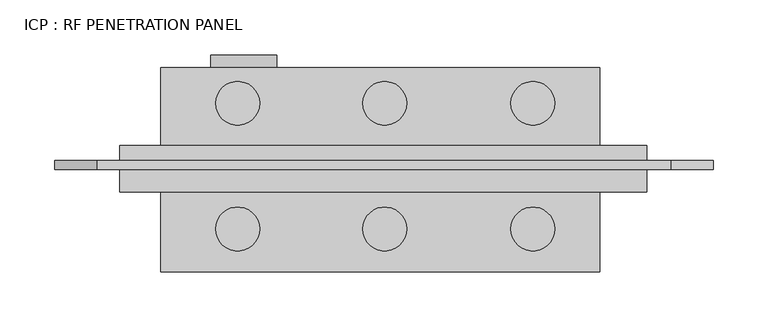
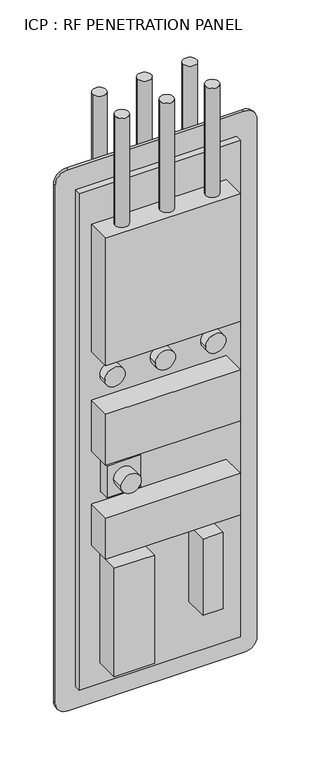
"""IFC4 building model written with IfcOpenShell, lengths in millimetres: proxy geometry, ICP : RF PENETRATION PANEL."""

from ifc_helpers import new_model, si_unit, point, frame, frame_2d, origin, place, context, project, spatial, polyline, circle_curve, trimmed, segment, composite_curve, outline, extrude, source, transform, mapped, element, save


def icp_rf_penetration_panel_e984baec(model_context):
    return source(origin(), model_context, "Body", "SweptSolid", [
        extrude(outline(composite_curve([segment(polyline([(1700.0, -142.0922989), (1700.0, -665.8922989)]), True, "CONTINUOUS"), segment(trimmed(circle_curve(frame_2d((1661.9, -665.8922989)), 38.1), [point((1700.0, -665.8922989))], [point((1661.9, -703.9922989))], False, "CARTESIAN"), True, "CONTINUOUS"), segment(polyline([(1661.9, -703.9922989), (38.1, -703.9922989)]), True, "CONTINUOUS"), segment(trimmed(circle_curve(frame_2d((38.1, -665.8922989)), 38.1), [point((38.1, -703.9922989))], [point((0.0, -665.8922989))], False, "CARTESIAN"), True, "CONTINUOUS"), segment(polyline([(0.0, -665.8922989), (0.0, -142.0922989)]), True, "CONTINUOUS"), segment(trimmed(circle_curve(frame_2d((38.1, -142.0922989)), 38.1), [point((0.0, -142.0922989))], [point((38.1, -103.9922989))], False, "CARTESIAN"), True, "CONTINUOUS"), segment(polyline([(38.1, -103.9922989), (1661.9, -103.9922989)]), True, "CONTINUOUS"), segment(trimmed(circle_curve(frame_2d((1661.9, -142.0922989)), 38.1), [point((1661.9, -103.9922989))], [point((1700.0, -142.0922989))], False, "CARTESIAN"), True, "CONTINUOUS")], self_intersect=False)), frame((0.0, -3.2306859, 0.0), z_axis=(0.0, 1.0, 0.0), x_axis=(0.0, 0.0, 1.0)), (0.0, 0.0, 1.0), 8.2306859),
        extrude(outline(composite_curve([segment(trimmed(circle_curve(frame_2d((1038.3942111, -403.3672989)), 30.0), [point((1038.3942111, -373.3672989))], [point((1038.3942111, -433.3672989))], False, "CARTESIAN"), True, "CONTINUOUS"), segment(trimmed(circle_curve(frame_2d((1038.3942111, -403.3672989)), 30.0), [point((1038.3942111, -433.3672989))], [point((1038.3942111, -373.3672989))], False, "CARTESIAN"), True, "CONTINUOUS")], self_intersect=False)), frame((0.0, -50.4300954, 0.0), z_axis=(0.0, 1.0, 0.0), x_axis=(0.0, 0.0, 1.0)), (0.0, 0.0, 1.0), 90.0844462),
        extrude(outline(composite_curve([segment(trimmed(circle_curve(frame_2d((1038.3942111, -553.3672989)), 30.0), [point((1038.3942111, -523.3672989))], [point((1038.3942111, -583.3672989))], False, "CARTESIAN"), True, "CONTINUOUS"), segment(trimmed(circle_curve(frame_2d((1038.3942111, -553.3672989)), 30.0), [point((1038.3942111, -583.3672989))], [point((1038.3942111, -523.3672989))], False, "CARTESIAN"), True, "CONTINUOUS")], self_intersect=False)), frame((0.0, -50.4300954, 0.0), z_axis=(0.0, 1.0, 0.0), x_axis=(0.0, 0.0, 1.0)), (0.0, 0.0, 1.0), 90.0844462),
        extrude(outline(composite_curve([segment(trimmed(circle_curve(frame_2d((1038.3942111, -253.3672989)), 30.0), [point((1038.3942111, -223.3672989))], [point((1038.3942111, -283.3672989))], False, "CARTESIAN"), True, "CONTINUOUS"), segment(trimmed(circle_curve(frame_2d((1038.3942111, -253.3672989)), 30.0), [point((1038.3942111, -283.3672989))], [point((1038.3942111, -223.3672989))], False, "CARTESIAN"), True, "CONTINUOUS")], self_intersect=False)), frame((0.0, -50.4300954, 0.0), z_axis=(0.0, 1.0, 0.0), x_axis=(0.0, 0.0, 1.0)), (0.0, 0.0, 1.0), 90.0844462),
        extrude(outline(composite_curve([segment(trimmed(circle_curve(frame_2d((-537.401459, 57.3809284)), 20.0), [point((-557.401459, 57.3809284))], [point((-517.401459, 57.3809284))], False, "CARTESIAN"), True, "CONTINUOUS"), segment(trimmed(circle_curve(frame_2d((-537.401459, 57.3809284)), 20.0), [point((-517.401459, 57.3809284))], [point((-557.401459, 57.3809284))], False, "CARTESIAN"), True, "CONTINUOUS")], self_intersect=False)), frame((0.0, 0.0, 1519.6250936), z_axis=(0.0, 0.0, 1.0), x_axis=(1.0, 0.0, 0.0)), (0.0, 0.0, 1.0), 342.7068946),
        extrude(outline(composite_curve([segment(trimmed(circle_curve(frame_2d((-403.3672989, 57.3809284)), 20.0), [point((-423.3672989, 57.3809284))], [point((-383.3672989, 57.3809284))], False, "CARTESIAN"), True, "CONTINUOUS"), segment(trimmed(circle_curve(frame_2d((-403.3672989, 57.3809284)), 20.0), [point((-383.3672989, 57.3809284))], [point((-423.3672989, 57.3809284))], False, "CARTESIAN"), True, "CONTINUOUS")], self_intersect=False)), frame((0.0, 0.0, 1519.6250936), z_axis=(0.0, 0.0, 1.0), x_axis=(1.0, 0.0, 0.0)), (0.0, 0.0, 1.0), 342.7068946),
        extrude(outline(composite_curve([segment(trimmed(circle_curve(frame_2d((-268.3672989, 57.3809284)), 20.0), [point((-288.3672989, 57.3809284))], [point((-248.3672989, 57.3809284))], False, "CARTESIAN"), True, "CONTINUOUS"), segment(trimmed(circle_curve(frame_2d((-268.3672989, 57.3809284)), 20.0), [point((-248.3672989, 57.3809284))], [point((-288.3672989, 57.3809284))], False, "CARTESIAN"), True, "CONTINUOUS")], self_intersect=False)), frame((0.0, 0.0, 1519.6250936), z_axis=(0.0, 0.0, 1.0), x_axis=(1.0, 0.0, 0.0)), (0.0, 0.0, 1.0), 342.7068946),
        extrude(outline(composite_curve([segment(trimmed(circle_curve(frame_2d((-537.401459, -57.3809284)), 20.0), [point((-557.401459, -57.3809284))], [point((-517.401459, -57.3809284))], False, "CARTESIAN"), True, "CONTINUOUS"), segment(trimmed(circle_curve(frame_2d((-537.401459, -57.3809284)), 20.0), [point((-517.401459, -57.3809284))], [point((-557.401459, -57.3809284))], False, "CARTESIAN"), True, "CONTINUOUS")], self_intersect=False)), frame((0.0, 0.0, 1519.6250936), z_axis=(0.0, 0.0, 1.0), x_axis=(1.0, 0.0, 0.0)), (0.0, 0.0, 1.0), 342.7068946),
        extrude(outline(composite_curve([segment(trimmed(circle_curve(frame_2d((-403.3672989, -57.3809284)), 20.0), [point((-423.3672989, -57.3809284))], [point((-383.3672989, -57.3809284))], False, "CARTESIAN"), True, "CONTINUOUS"), segment(trimmed(circle_curve(frame_2d((-403.3672989, -57.3809284)), 20.0), [point((-383.3672989, -57.3809284))], [point((-423.3672989, -57.3809284))], False, "CARTESIAN"), True, "CONTINUOUS")], self_intersect=False)), frame((0.0, 0.0, 1519.6250936), z_axis=(0.0, 0.0, 1.0), x_axis=(1.0, 0.0, 0.0)), (0.0, 0.0, 1.0), 342.7068946),
        extrude(outline(composite_curve([segment(trimmed(circle_curve(frame_2d((-268.3672989, -57.3809284)), 20.0), [point((-288.3672989, -57.3809284))], [point((-248.3672989, -57.3809284))], False, "CARTESIAN"), True, "CONTINUOUS"), segment(trimmed(circle_curve(frame_2d((-268.3672989, -57.3809284)), 20.0), [point((-248.3672989, -57.3809284))], [point((-288.3672989, -57.3809284))], False, "CARTESIAN"), True, "CONTINUOUS")], self_intersect=False)), frame((0.0, 0.0, 1519.6250936), z_axis=(0.0, 0.0, 1.0), x_axis=(1.0, 0.0, 0.0)), (0.0, 0.0, 1.0), 342.7068946),
        extrude(outline(composite_curve([segment(trimmed(circle_curve(frame_2d((723.3868975, -531.8589459)), 30.0), [point((723.3868975, -501.8589459))], [point((723.3868975, -561.8589459))], False, "CARTESIAN"), True, "CONTINUOUS"), segment(trimmed(circle_curve(frame_2d((723.3868975, -531.8589459)), 30.0), [point((723.3868975, -561.8589459))], [point((723.3868975, -501.8589459))], False, "CARTESIAN"), True, "CONTINUOUS")], self_intersect=False)), frame((0.0, -96.2063168, 0.0), z_axis=(0.0, 1.0, 0.0), x_axis=(0.0, 0.0, 1.0)), (0.0, 0.0, 1.0), 197.867287),
        extrude(outline(polyline([(-481.6652623, -57.3809284), (-581.6652623, -57.3809284), (-581.6652623, 63.8885192), (-481.6652623, 63.8885192), (-481.6652623, -57.3809284)])), frame((0.0, 0.0, 672.0632718), z_axis=(0.0, 0.0, 1.0), x_axis=(1.0, 0.0, 0.0)), (0.0, 0.0, 1.0), 100.0),
        extrude(outline(polyline([(-207.3699808, -96.2063168), (-607.3699808, -96.2063168), (-607.3699808, 89.8641054), (-207.3699808, 89.8641054), (-207.3699808, -96.2063168)])), frame((0.0, 0.0, 1119.6250936), z_axis=(0.0, 0.0, 1.0), x_axis=(1.0, 0.0, 0.0)), (0.0, 0.0, 1.0), 400.0),
        extrude(outline(polyline([(-207.3699808, -96.2063168), (-607.3699808, -96.2063168), (-607.3699808, 89.8641054), (-207.3699808, 89.8641054), (-207.3699808, -96.2063168)])), frame((0.0, 0.0, 807.6451128), z_axis=(0.0, 0.0, 1.0), x_axis=(1.0, 0.0, 0.0)), (0.0, 0.0, 1.0), 160.0),
        extrude(outline(polyline([(-207.3699808, -96.2063168), (-607.3699808, -96.2063168), (-607.3699808, 89.8641054), (-207.3699808, 89.8641054), (-207.3699808, -96.2063168)])), frame((0.0, 0.0, 512.2159098), z_axis=(0.0, 0.0, 1.0), x_axis=(1.0, 0.0, 0.0)), (0.0, 0.0, 1.0), 129.186804),
        extrude(outline(polyline([(-462.255079, -96.2063168), (-582.255079, -96.2063168), (-582.255079, 89.8641054), (-462.255079, 89.8641054), (-462.255079, -96.2063168)])), frame((0.0, 0.0, 134.3864065), z_axis=(0.0, 0.0, 1.0), x_axis=(1.0, 0.0, 0.0)), (0.0, 0.0, 1.0), 340.0),
        extrude(outline(polyline([(-258.6879939, -96.2063168), (-318.6879939, -96.2063168), (-318.6879939, 89.8641054), (-258.6879939, 89.8641054), (-258.6879939, -96.2063168)])), frame((0.0, 0.0, 234.3864065), z_axis=(0.0, 0.0, 1.0), x_axis=(1.0, 0.0, 0.0)), (0.0, 0.0, 1.0), 240.0),
        extrude(outline(polyline([(-164.7339546, -23.3977077), (-644.7339546, -23.3977077), (-644.7339546, 18.8324919), (-164.7339546, 18.8324919), (-164.7339546, -23.3977077)])), frame((0.0, 0.0, 69.2381394), z_axis=(0.0, 0.0, 1.0), x_axis=(1.0, 0.0, 0.0)), (0.0, 0.0, 1.0), 1560.0),
    ])


if __name__ == "__main__":
    model = new_model("IFC4")
    model_context = context("Model", 3, world=origin())
    ifc_project = project(units=[si_unit("LENGTHUNIT", "METRE", prefix="MILLI")], contexts=[model_context])
    site = spatial("IfcSite", under=ifc_project)
    building = spatial("IfcBuilding", under=site)
    placement = place(None, origin())
    icp_rf_penetration_panel_shape = icp_rf_penetration_panel_e984baec(model_context)
    element("IfcBuildingElementProxy", 1, Name="ICP : RF PENETRATION PANEL", ObjectType="ICP : RF PENETRATION PANEL", at=placement, inside=building, context=model_context, shape_type="MappedRepresentation", body=[
        mapped(icp_rf_penetration_panel_shape, transform((0.0, 0.0, 0.0), x_axis=(1.0, 0.0, 0.0), y_axis=(0.0, 1.0, 0.0), z_axis=(0.0, 0.0, 1.0))),
    ])
    save(model, "model.ifc")
